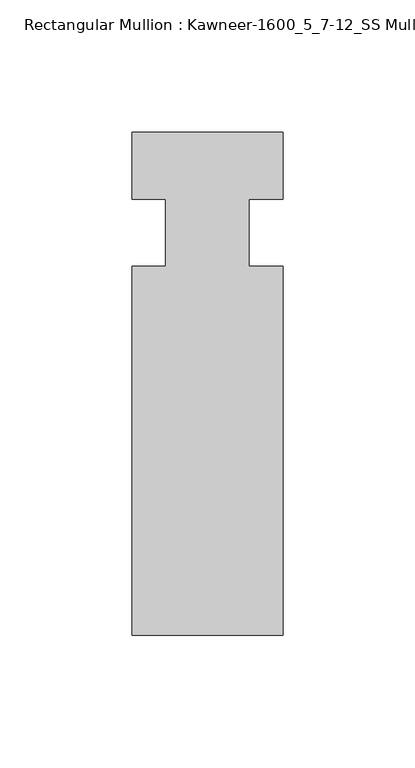
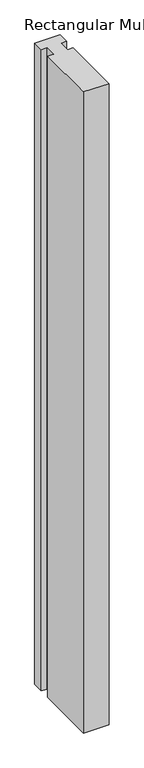
"""IFC4 building model written with IfcOpenShell, lengths in millimetres: member geometry, Rectangular Mullion : Kawneer-1600_5_7-12_SS Mullion_Vertical."""

import ifcopenshell
import ifcopenshell.guid

model = None  # the IFC model being written
_history = None  # IfcOwnerHistory: only IFC2X3 demands one
_inside = {}  # id of a spatial element -> (the spatial element, [elements in it])
_under = {}  # id of a project, library or spatial element -> (it, [spatial elements below it])
_declared = {}  # id of a project -> (the project, [libraries it declares])
_typed = {}  # id of a type object -> (the type object, [elements of that type])
_made_of = {}  # id of a material, layer set ... -> (it, [elements and type objects made of it])


def new_model(schema):
    """Start an empty IFC model of exactly this schema.

    Asked for "IFC4X3", IfcOpenShell would pick the latest addendum, in which some entities
    have other attributes; the version numbers below select the first issue.
    IFC2X3 requires an IfcOwnerHistory on every rooted entity: one is made here for all.
    """
    global model, _history
    if schema == "IFC4X3":
        model = ifcopenshell.file(schema_version=(4, 3, 0, 0))
    else:
        model = ifcopenshell.file(schema=schema)
    _inside.clear()
    _under.clear()
    _declared.clear()
    _typed.clear()
    _made_of.clear()
    _history = None
    if model.schema == "IFC2X3":
        org = make("IfcOrganization", Name="unknown")
        user = make(
            "IfcPersonAndOrganization",
            ThePerson=make("IfcPerson", FamilyName="unknown"),
            TheOrganization=org,
        )
        app = make(
            "IfcApplication",
            ApplicationDeveloper=org,
            Version="unknown",
            ApplicationFullName="unknown",
            ApplicationIdentifier="unknown",
        )
        _history = make(
            "IfcOwnerHistory",
            OwningUser=user,
            OwningApplication=app,
            ChangeAction="ADDED",
            CreationDate=0,
        )
    return model


def make(cls, **values):
    """One entity of the class cls with the attributes given. An attribute that is None is left unset."""
    return model.create_entity(
        cls, **{name: value for name, value in values.items() if value is not None}
    )


def rooted(cls, **values):
    """An entity with a GlobalId (a new one), such as an element, a storey or a relation."""
    return make(cls, GlobalId=ifcopenshell.guid.new(), OwnerHistory=_history, **values)


def si_unit(unit_type, name, prefix=None):
    """IfcSIUnit, for example si_unit("LENGTHUNIT", "METRE", prefix="MILLI")."""
    return make("IfcSIUnit", UnitType=unit_type, Prefix=prefix, Name=name)


def assignment(units):
    """IfcUnitAssignment: the units of a project."""
    return None if units is None else make("IfcUnitAssignment", Units=units)


def point(xyz):
    """IfcCartesianPoint."""
    return None if xyz is None else make("IfcCartesianPoint", Coordinates=xyz)


def direction(xyz):
    """IfcDirection."""
    return None if xyz is None else make("IfcDirection", DirectionRatios=xyz)


def frame(location, z_axis=None, x_axis=None):
    """IfcAxis2Placement3D, a coordinate frame: its origin and axes. An axis left out is left unset."""
    return make(
        "IfcAxis2Placement3D",
        Location=point(location),
        Axis=direction(z_axis),
        RefDirection=direction(x_axis),
    )


def origin():
    """The frame at (0, 0, 0) with its axes left unset."""
    return frame((0.0, 0.0, 0.0))


def place(relative_to, where):
    """IfcLocalPlacement: puts the frame where relative to a parent placement (None: the world)."""
    return make(
        "IfcLocalPlacement", PlacementRelTo=relative_to, RelativePlacement=where
    )


def context(
    kind, dimensions, precision=None, world=None, true_north=None, identifier=None
):
    """IfcGeometricRepresentationContext, for example the 3D "Model" context."""
    return make(
        "IfcGeometricRepresentationContext",
        ContextIdentifier=identifier,
        ContextType=kind,
        CoordinateSpaceDimension=dimensions,
        Precision=precision,
        WorldCoordinateSystem=world,
        TrueNorth=true_north,
    )


def project(units=None, contexts=None):
    """IfcProject with its units and contexts."""
    return rooted(
        "IfcProject",
        Name="project",
        RepresentationContexts=contexts,
        UnitsInContext=assignment(units),
    )


def spatial(cls, under=None, at=None, **own):
    """A site, building, storey or space (cls), placed at a placement, below another one or the project."""
    s = rooted(cls, ObjectPlacement=at, **own)
    if under is not None:
        _under.setdefault(under.id(), (under, []))[1].append(s)
    return s


def polyline(points):
    """IfcPolyline through the points."""
    return make("IfcPolyline", Points=[point(p) for p in points])


def outline(outer, holes=None, kind="AREA"):
    """IfcArbitraryClosedProfileDef: a profile drawn as a closed curve; with holes, ...WithVoids."""
    if holes is None:
        return make("IfcArbitraryClosedProfileDef", ProfileType=kind, OuterCurve=outer)
    return make(
        "IfcArbitraryProfileDefWithVoids",
        ProfileType=kind,
        OuterCurve=outer,
        InnerCurves=holes,
    )


def extrude(swept, where, along, depth):
    """IfcExtrudedAreaSolid: the profile swept, set in the frame where, extruded along a direction by depth."""
    return make(
        "IfcExtrudedAreaSolid",
        SweptArea=swept,
        Position=where,
        ExtrudedDirection=direction(along),
        Depth=depth,
    )


def shape(context_of_items, identifier, shape_type, items):
    """IfcShapeRepresentation: the items that make up one representation, for example the "Body"."""
    return make(
        "IfcShapeRepresentation",
        ContextOfItems=context_of_items,
        RepresentationIdentifier=identifier,
        RepresentationType=shape_type,
        Items=items,
    )


def source(mapping_origin, context_of_items, identifier, shape_type, items):
    """IfcRepresentationMap: a shape defined once, which mapped items show again and again."""
    return make(
        "IfcRepresentationMap",
        MappingOrigin=mapping_origin,
        MappedRepresentation=shape(context_of_items, identifier, shape_type, items),
    )


def transform(
    local_origin,
    x_axis=None,
    y_axis=None,
    z_axis=None,
    scale=None,
    scale2=None,
    scale3=None,
    uniform=True,
):
    """IfcCartesianTransformationOperator3D, or its non-uniform kind. x_axis, y_axis, z_axis: its Axis1, 2, 3."""
    if uniform:
        return make(
            "IfcCartesianTransformationOperator3D",
            Axis1=direction(x_axis),
            Axis2=direction(y_axis),
            LocalOrigin=point(local_origin),
            Scale=scale,
            Axis3=direction(z_axis),
        )
    return make(
        "IfcCartesianTransformationOperator3DnonUniform",
        Axis1=direction(x_axis),
        Axis2=direction(y_axis),
        LocalOrigin=point(local_origin),
        Scale=scale,
        Axis3=direction(z_axis),
        Scale2=scale2,
        Scale3=scale3,
    )


def mapped(mapping_source, mapping_target):
    """IfcMappedItem: shows the shape of a source again, moved by a transform."""
    return make(
        "IfcMappedItem", MappingSource=mapping_source, MappingTarget=mapping_target
    )


def made_of(thing, what):
    """Note that an element or type object is made of a material, layer set ...; save() writes the relation."""
    if what is not None:
        _made_of.setdefault(what.id(), (what, []))[1].append(thing)
    return thing


def element(
    cls,
    number,
    at=None,
    inside=None,
    cuts=None,
    type_object=None,
    material=None,
    context=None,
    identifier="Body",
    shape_type=None,
    held_by="IfcProductDefinitionShape",
    body=None,
    shapes=None,
    **own,
):
    """One element of the class cls, such as IfcWall. Its Tag is "e" and its number.

    at: its placement. inside: the storey or other place that contains it. cuts: it is an
    opening in that element (IfcRelVoidsElement). A single representation is given by context,
    identifier, shape_type and body (its items); several are given by shapes. held_by: the class
    of the entity that holds the representations. save() writes the other relations.
    """
    e = rooted(cls, Tag="e%d" % number, ObjectPlacement=at, **own)
    if body is not None:
        shapes = [shape(context, identifier, shape_type, body)]
    if shapes is not None:
        e.Representation = make(held_by, Representations=shapes)
    if inside is not None:
        _inside.setdefault(inside.id(), (inside, []))[1].append(e)
    if cuts is not None:
        rooted(
            "IfcRelVoidsElement", RelatingBuildingElement=cuts, RelatedOpeningElement=e
        )
    if type_object is not None:
        _typed.setdefault(type_object.id(), (type_object, []))[1].append(e)
    return made_of(e, material)


def aggregate(whole, parts):
    """IfcRelAggregates: a whole, such as a stair, and the parts it consists of."""
    return rooted("IfcRelAggregates", RelatingObject=whole, RelatedObjects=parts)


def save(model, path):
    """Write the relations noted so far, then the file.

    IfcRelAggregates (storeys below a building ...), IfcRelContainedInSpatialStructure (elements
    in a storey), IfcRelDefinesByType, IfcRelAssociatesMaterial and IfcRelDeclares: one each for
    every whole, place, type object, material and project.
    """
    for whole, parts in _under.values():
        aggregate(whole, parts)
    for where, things in _inside.values():
        rooted(
            "IfcRelContainedInSpatialStructure",
            RelatedElements=things,
            RelatingStructure=where,
        )
    for kind, things in _typed.values():
        rooted("IfcRelDefinesByType", RelatedObjects=things, RelatingType=kind)
    for what, things in _made_of.values():
        rooted("IfcRelAssociatesMaterial", RelatedObjects=things, RelatingMaterial=what)
    for by, libraries in _declared.values():
        rooted("IfcRelDeclares", RelatingContext=by, RelatedDefinitions=libraries)
    model.write(path)


def rectangular_mullion_kawneer_1600_5_7_12_ss_mullion_vertical_60c51f21(model_context):
    return source(origin(), model_context, "Body", "SweptSolid", [
        extrude(outline(polyline([(32.9094027, -152.4), (-24.2405973, -152.4), (-24.2405973, -12.7), (-11.5405973, -12.7), (-11.5405973, 12.7), (-24.2405973, 12.7), (-24.2405973, 38.1), (32.9094027, 38.1), (32.9094027, 12.7), (20.2076322, 12.7), (20.2076322, -12.7), (32.9094027, -12.7), (32.9094027, -152.4)])), frame((0.0, 0.0, -1524.0), z_axis=(0.0, 0.0, 1.0), x_axis=(1.0, 0.0, 0.0)), (0.0, 0.0, 1.0), 1524.0),
    ])


if __name__ == "__main__":
    model = new_model("IFC4")
    model_context = context("Model", 3, world=origin())
    ifc_project = project(units=[si_unit("LENGTHUNIT", "METRE", prefix="MILLI")], contexts=[model_context])
    site = spatial("IfcSite", under=ifc_project)
    building = spatial("IfcBuilding", under=site)
    placement = place(None, origin())
    rectangular_mullion_kawneer_1600_5_7_12_ss_mullion_vertical_shape = rectangular_mullion_kawneer_1600_5_7_12_ss_mullion_vertical_60c51f21(model_context)
    element("IfcMember", 1, ObjectType="Rectangular Mullion : Kawneer-1600_5_7-12_SS Mullion_Vertical", at=placement, inside=building, context=model_context, shape_type="MappedRepresentation", body=[
        mapped(rectangular_mullion_kawneer_1600_5_7_12_ss_mullion_vertical_shape, transform((0.0, 0.0, 0.0), x_axis=(1.0, 0.0, 0.0), y_axis=(0.0, 1.0, 0.0), z_axis=(0.0, 0.0, 1.0))),
    ])
    save(model, "model.ifc")
